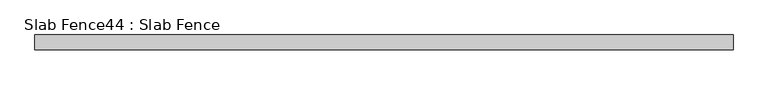
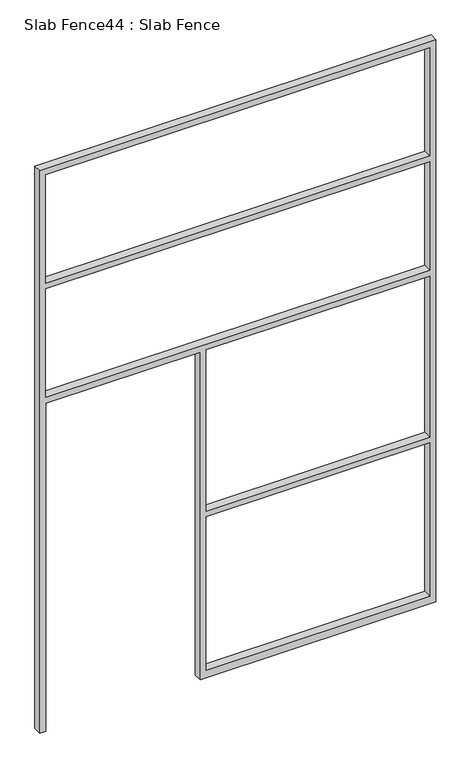
"""IFC4 building model written with IfcOpenShell, lengths in millimetres: proxy geometry, Slab Fence44 : Slab Fence."""

from ifc_helpers import new_model, si_unit, frame, origin, place, context, project, spatial, polyline, outline, extrude, source, transform, mapped, element, save


def slab_fence44_slab_fence_897cd4d6(model_context):
    return source(origin(), model_context, "Body", "SweptSolid", [
        extrude(outline(polyline([(3657.6, 49771.2901795), (0.0, 49771.2901795), (0.0, 49809.3901795), (2133.6, 49809.3901795), (2133.6, 50758.7151795), (0.0, 50758.7151795), (0.0, 50796.8151795), (0.0, 52209.6901795), (3657.6, 52209.6901795), (3657.6, 49771.2901795)]), holes=[polyline([(2876.55, 49809.3901795), (2876.55, 52171.5901795), (2171.7, 52171.5901795), (2171.7, 49809.3901795), (2876.55, 49809.3901795)]), polyline([(3619.5, 52171.5901795), (2914.65, 52171.5901795), (2914.65, 49809.3901795), (3619.5, 49809.3901795), (3619.5, 52171.5901795)]), polyline([(1085.85, 50796.8151795), (2133.6, 50796.8151795), (2133.6, 52171.5901795), (1085.85, 52171.5901795), (1085.85, 50796.8151795)]), polyline([(1047.75, 52171.5901795), (50.8, 52171.5901795), (50.8, 50796.8151795), (1047.75, 50796.8151795), (1047.75, 52171.5901795)])]), frame((0.0, 19806.666085, 0.0), z_axis=(0.0, 1.0, 0.0), x_axis=(0.0, 0.0, 1.0)), (0.0, 0.0, 1.0), 52.001598),
    ])


if __name__ == "__main__":
    model = new_model("IFC4")
    model_context = context("Model", 3, world=origin())
    ifc_project = project(units=[si_unit("LENGTHUNIT", "METRE", prefix="MILLI")], contexts=[model_context])
    site = spatial("IfcSite", under=ifc_project)
    building = spatial("IfcBuilding", under=site)
    placement = place(None, origin())
    slab_fence44_slab_fence_shape = slab_fence44_slab_fence_897cd4d6(model_context)
    element("IfcBuildingElementProxy", 1, Name="Slab Fence44 : Slab Fence", ObjectType="Slab Fence44 : Slab Fence", at=placement, inside=building, context=model_context, shape_type="MappedRepresentation", body=[
        mapped(slab_fence44_slab_fence_shape, transform((0.0, 0.0, 0.0), x_axis=(1.0, 0.0, 0.0), y_axis=(0.0, 1.0, 0.0), z_axis=(0.0, 0.0, 1.0))),
    ])
    save(model, "model.ifc")
